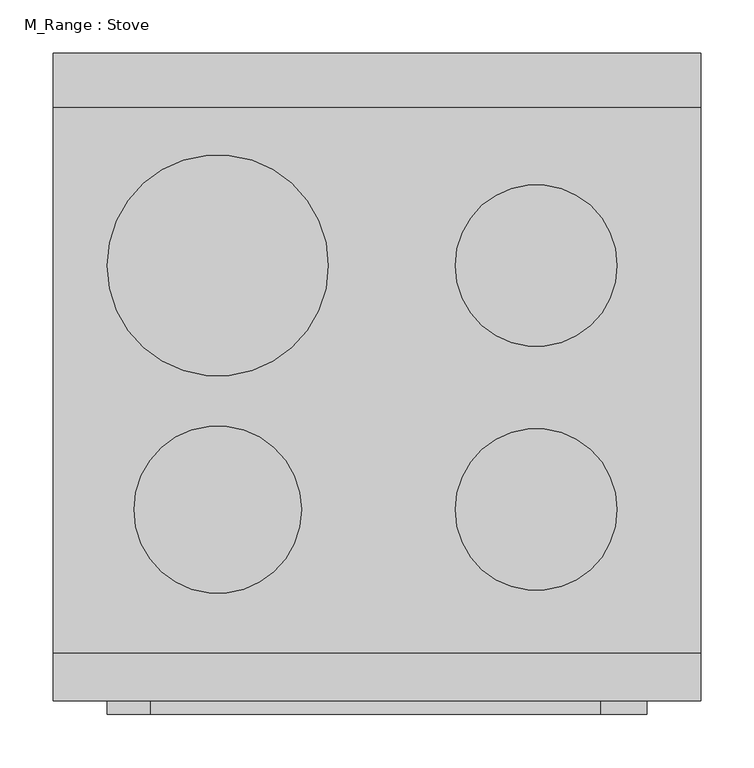
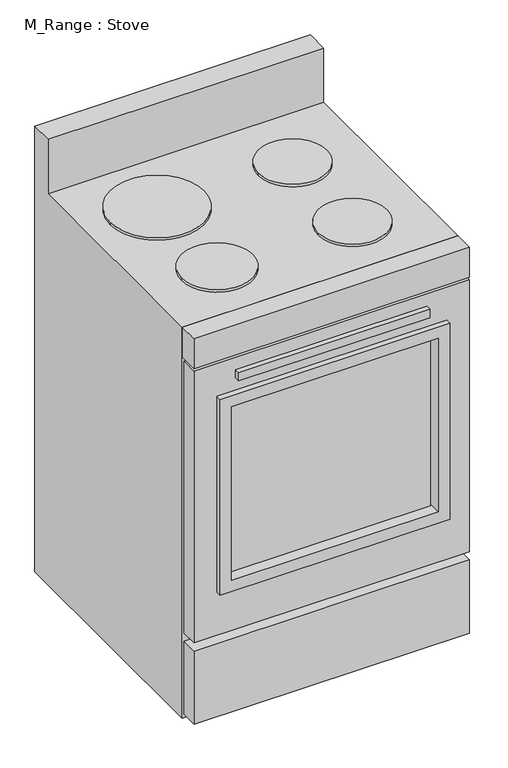
"""IFC4 building model written with IfcOpenShell, lengths in millimetres: proxy geometry, M_Range : Stove."""

from ifc_helpers import new_model, si_unit, point, frame, frame_2d, origin, place, context, project, spatial, polyline, circle_curve, trimmed, segment, composite_curve, outline, extrude, faceted_brep, source, transform, mapped, element, save


def m_range_stove_0f77da38(model_context):
    return source(origin(), model_context, "Body", "SolidModel", [
        faceted_brep([(610.0, 610.0, 1041.4), (610.0, 559.2, 1041.4), (610.0, 559.2, 914.4), (610.0, 45.0, 914.4), (610.0, 45.0, 0.0), (610.0, 610.0, 0.0), (0.0, 559.2, 914.4), (0.0, 559.2, 1041.4), (0.0, 610.0, 1041.4), (0.0, 610.0, 0.0), (0.0, 45.0, 0.0), (0.0, 45.0, 914.4), (584.6, 45.0, 889.2220355), (584.6, 45.0, 254.0), (25.4, 45.0, 254.0), (25.4, 45.0, 889.2220355), (25.4, 584.6, 889.2220355), (584.6, 584.6, 889.2220355), (25.4, 584.6, 254.0), (584.6, 584.6, 254.0)], [[[0, 1, 2, 3, 4, 5]], [[6, 7, 8, 9, 10, 11]], [[8, 0, 5, 9]], [[1, 0, 8, 7]], [[2, 1, 7, 6]], [[3, 11, 10, 4], [12, 13, 14, 15]], [[9, 5, 4, 10]], [[11, 3, 2, 6]], [[12, 15, 16, 17]], [[15, 14, 18, 16]], [[14, 13, 19, 18]], [[13, 12, 17, 19]], [[17, 16, 18, 19]]]),
        extrude(outline(polyline([(515.325, -12.7), (91.687309, -12.7), (91.687309, 0.0), (515.325, 0.0), (515.325, -12.7)])), frame((0.0, 0.0, 791.2768639), z_axis=(0.0, 0.0, 1.0), x_axis=(1.0, 0.0, 0.0)), (0.0, 0.0, 1.0), 19.05),
        extrude(outline(polyline([(531.2, 12.7), (76.2, 12.7), (76.2, 19.05), (531.2, 19.05), (531.2, 12.7)])), frame((0.0, 0.0, 330.2), z_axis=(0.0, 0.0, 1.0), x_axis=(1.0, 0.0, 0.0)), (0.0, 0.0, 1.0), 406.4),
        extrude(outline(polyline([(610.0, 0.0), (0.0, 0.0), (0.0, 45.0), (610.0, 45.0), (610.0, 0.0)])), frame((0.0, 0.0, 844.7720355), z_axis=(0.0, 0.0, 1.0), x_axis=(1.0, 0.0, 0.0)), (0.0, 0.0, 1.0), 69.6279645),
        extrude(outline(polyline([(762.0, 559.2), (762.0, 50.8), (304.8, 50.8), (304.8, 559.2), (762.0, 559.2)]), holes=[polyline([(736.6, 533.8), (330.2, 533.8), (330.2, 76.2), (736.6, 76.2), (736.6, 533.8)])]), frame((0.0, -12.7, 0.0), z_axis=(0.0, 1.0, 0.0), x_axis=(0.0, 0.0, 1.0)), (0.0, 0.0, 1.0), 38.1),
        extrude(outline(composite_curve([segment(trimmed(circle_curve(frame_2d((155.0, 410.0)), 104.2), [point((50.8, 410.0))], [point((259.2, 410.0))], False, "CARTESIAN"), True, "CONTINUOUS"), segment(trimmed(circle_curve(frame_2d((155.0, 410.0)), 104.2), [point((259.2, 410.0))], [point((50.8, 410.0))], False, "CARTESIAN"), True, "CONTINUOUS")], self_intersect=False)), frame((0.0, 0.0, 914.4), z_axis=(0.0, 0.0, 1.0), x_axis=(1.0, 0.0, 0.0)), (0.0, 0.0, 1.0), 6.35),
        extrude(outline(composite_curve([segment(trimmed(circle_curve(frame_2d((455.0, 410.0)), 76.2), [point((378.8, 410.0))], [point((531.2, 410.0))], False, "CARTESIAN"), True, "CONTINUOUS"), segment(trimmed(circle_curve(frame_2d((455.0, 410.0)), 76.2), [point((531.2, 410.0))], [point((378.8, 410.0))], False, "CARTESIAN"), True, "CONTINUOUS")], self_intersect=False)), frame((0.0, 0.0, 914.4), z_axis=(0.0, 0.0, 1.0), x_axis=(1.0, 0.0, 0.0)), (0.0, 0.0, 1.0), 6.35),
        extrude(outline(composite_curve([segment(trimmed(circle_curve(frame_2d((455.0, 180.0)), 76.2), [point((378.8, 180.0))], [point((531.2, 180.0))], False, "CARTESIAN"), True, "CONTINUOUS"), segment(trimmed(circle_curve(frame_2d((455.0, 180.0)), 76.2), [point((531.2, 180.0))], [point((378.8, 180.0))], False, "CARTESIAN"), True, "CONTINUOUS")], self_intersect=False)), frame((0.0, 0.0, 914.4), z_axis=(0.0, 0.0, 1.0), x_axis=(1.0, 0.0, 0.0)), (0.0, 0.0, 1.0), 6.35),
        extrude(outline(composite_curve([segment(trimmed(circle_curve(frame_2d((155.0, 180.0)), 78.8), [point((76.2, 180.0))], [point((233.8, 180.0))], False, "CARTESIAN"), True, "CONTINUOUS"), segment(trimmed(circle_curve(frame_2d((155.0, 180.0)), 78.8), [point((233.8, 180.0))], [point((76.2, 180.0))], False, "CARTESIAN"), True, "CONTINUOUS")], self_intersect=False)), frame((0.0, 0.0, 914.4), z_axis=(0.0, 0.0, 1.0), x_axis=(1.0, 0.0, 0.0)), (0.0, 0.0, 1.0), 6.35),
        extrude(outline(polyline([(838.4220355, 610.0), (838.4220355, 0.0), (203.2, 0.0), (203.2, 610.0), (838.4220355, 610.0)]), holes=[polyline([(762.0, 559.2), (304.8, 559.2), (304.8, 50.8), (762.0, 50.8), (762.0, 559.2)])]), frame((0.0, 0.0, 0.0), z_axis=(0.0, 1.0, 0.0), x_axis=(0.0, 0.0, 1.0)), (0.0, 0.0, 1.0), 38.1),
        extrude(outline(polyline([(610.0, 0.0), (0.0, 0.0), (0.0, 38.1), (610.0, 38.1), (610.0, 0.0)])), frame((0.0, 0.0, 12.7), z_axis=(0.0, 0.0, 1.0), x_axis=(1.0, 0.0, 0.0)), (0.0, 0.0, 1.0), 171.45),
    ])


if __name__ == "__main__":
    model = new_model("IFC4")
    model_context = context("Model", 3, world=origin())
    ifc_project = project(units=[si_unit("LENGTHUNIT", "METRE", prefix="MILLI")], contexts=[model_context])
    site = spatial("IfcSite", under=ifc_project)
    building = spatial("IfcBuilding", under=site)
    placement = place(None, origin())
    m_range_stove_shape = m_range_stove_0f77da38(model_context)
    element("IfcBuildingElementProxy", 1, Name="M_Range : Stove", ObjectType="M_Range : Stove", at=placement, inside=building, context=model_context, shape_type="MappedRepresentation", body=[
        mapped(m_range_stove_shape, transform((0.0, 0.0, 0.0), x_axis=(1.0, 0.0, 0.0), y_axis=(0.0, 1.0, 0.0), z_axis=(0.0, 0.0, 1.0))),
    ])
    save(model, "model.ifc")
